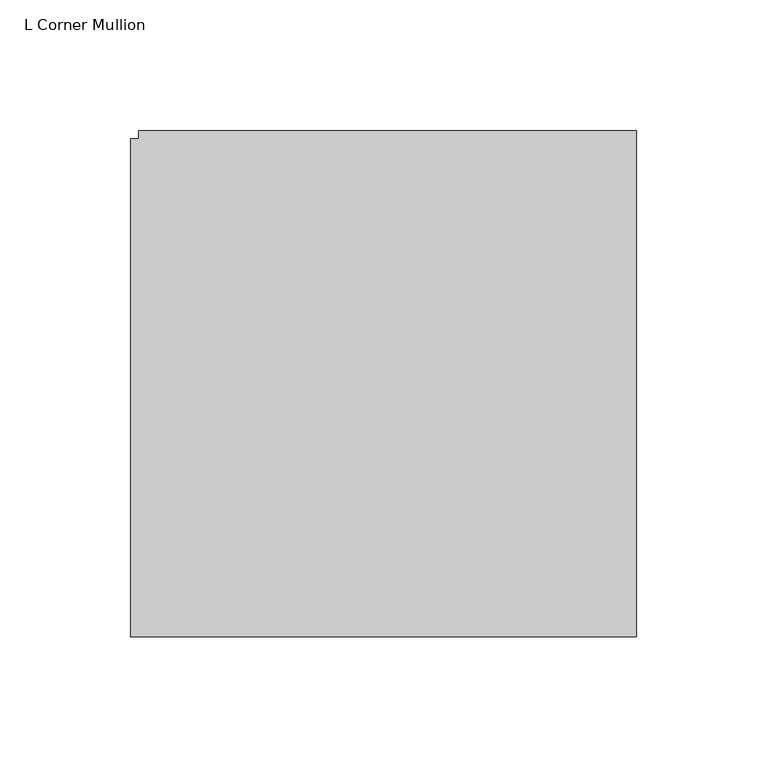
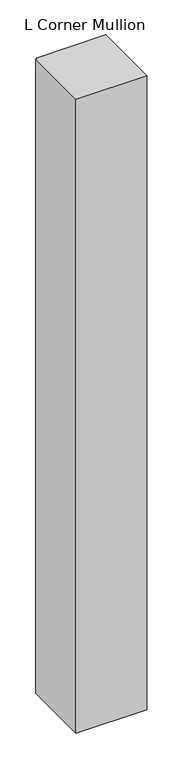
"""IFC4 building model written with IfcOpenShell, lengths in millimetres: member geometry, L Corner Mullion."""

from ifc_helpers import new_model, si_unit, frame, origin, place, context, project, spatial, polyline, outline, extrude, source, transform, mapped, element, save


def l_corner_mullion_0a6e4a80(model_context):
    return source(origin(), model_context, "Body", "SweptSolid", [
        extrude(outline(polyline([(161.925, 31.75), (161.925, -161.925), (-31.75, -161.925), (-31.75, 28.575), (-28.575, 28.575), (-28.575, 31.75), (161.925, 31.75)])), frame((0.0, 0.0, -1828.8), z_axis=(0.0, 0.0, 1.0), x_axis=(1.0, 0.0, 0.0)), (0.0, 0.0, 1.0), 1828.8),
    ])


if __name__ == "__main__":
    model = new_model("IFC4")
    model_context = context("Model", 3, world=origin())
    ifc_project = project(units=[si_unit("LENGTHUNIT", "METRE", prefix="MILLI")], contexts=[model_context])
    site = spatial("IfcSite", under=ifc_project)
    building = spatial("IfcBuilding", under=site)
    placement = place(None, origin())
    l_corner_mullion_shape = l_corner_mullion_0a6e4a80(model_context)
    element("IfcMember", 1, ObjectType="L Corner Mullion", at=placement, inside=building, context=model_context, shape_type="MappedRepresentation", body=[
        mapped(l_corner_mullion_shape, transform((0.0, 0.0, 0.0), x_axis=(1.0, 0.0, 0.0), y_axis=(0.0, 1.0, 0.0), z_axis=(0.0, 0.0, 1.0))),
    ])
    save(model, "model.ifc")
